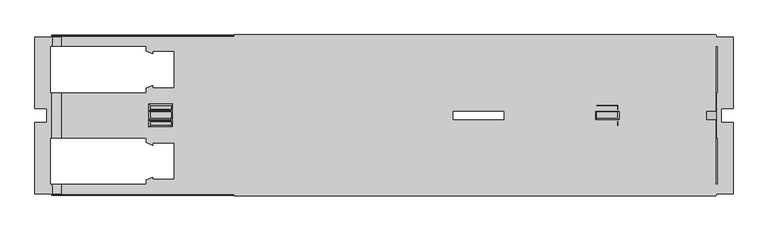
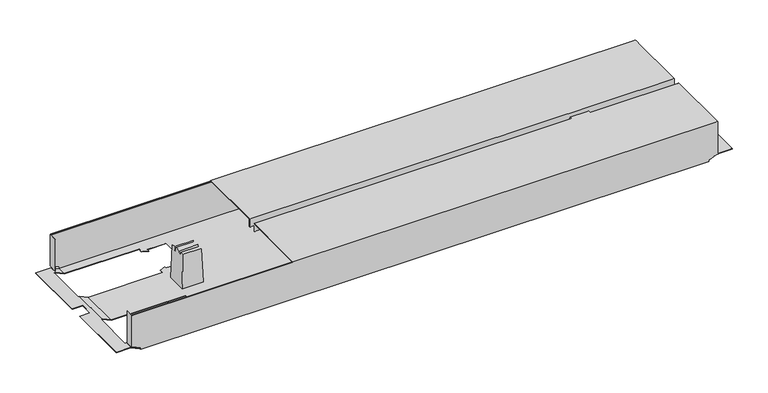
"""IFC4 building model written with IfcOpenShell, lengths in millimetres: furniture geometry."""

from ifc_helpers import new_model, si_unit, origin, place, context, project, spatial, triangles, source, transform, mapped, element, save


def furniture_ca6a5385(model_context):
    return source(origin(), model_context, "Body", "Tessellation", [
        triangles([(3602.0150716, 8921.9879526, 526.9999909), (3602.0150716, 8921.9879526, 507.9999879), (4630.0151144, 8921.9879526, 526.9999909), (4630.0151144, 8921.9879526, 507.9999879), (3602.0150716, 8760.8879022, 526.9999909), (4630.0151144, 8760.8879022, 526.9999909), (3602.0150716, 8760.8879022, 507.9999879), (4630.0151144, 8760.8879022, 507.9999879), (3602.0150716, 8759.8879632, 507.9999879), (4630.0151144, 8759.8879632, 507.9999879), (3602.0150716, 8759.8879632, 528.0000026), (4630.0151144, 8759.8879632, 528.0000026), (3602.0150716, 8922.9878915, 528.0000026), (4630.0151144, 8922.9878915, 528.0000026), (3602.0150716, 8922.9878915, 507.9999879), (4630.0151144, 8922.9878915, 507.9999879), (3602.0150716, 8740.088009, 526.9999909), (3602.0150716, 8740.088009, 507.9999879), (4630.0151144, 8740.088009, 526.9999909), (4630.0151144, 8740.088009, 507.9999879), (3602.0150716, 8578.9879587, 526.9999909), (4630.0151144, 8578.9879587, 526.9999909), (3602.0150716, 8578.9879587, 507.9999879), (4630.0151144, 8578.9879587, 507.9999879), (3602.0150716, 8577.9880197, 507.9999879), (4630.0151144, 8577.9880197, 507.9999879), (3602.0150716, 8577.9880197, 528.0000026), (4630.0151144, 8577.9880197, 528.0000026), (3602.0150716, 8741.087948, 528.0000026), (4630.0151144, 8741.087948, 528.0000026), (3602.0150716, 8741.087948, 507.9999879), (4630.0151144, 8741.087948, 507.9999879), (3234.5151197, 8578.9879587, 432.000012), (4609.5152029, 8578.9879587, 432.000012), (3234.5151197, 8578.9879587, 435.9999859), (4609.5152029, 8578.9879587, 435.9999859), (3214.5151777, 8578.9879587, 445.3260155), (4629.5151449, 8578.9879587, 445.3260155), (3214.5151777, 8578.9879587, 526.0000156), (4629.5151449, 8578.9879587, 526.0000156), (4631.5150228, 8578.9879587, 445.3260155), (4631.5150228, 8578.9879587, 526.0000156), (3212.5150091, 8578.9879587, 526.0000156), (3212.5150091, 8578.9879587, 445.3260155), (4179.1150205, 8789.6878885, 432.000012), (4369.4150327, 8691.6880563, 432.000012), (4179.1150205, 8711.2880227, 432.000012), (4369.4150327, 8613.2881906, 432.000012), (4118.9152067, 8700.4881006, 432.000012), (3474.6149992, 8613.2881906, 432.000012), (4068.915061, 8700.4881006, 432.000012), (3474.6149992, 8691.6880563, 432.000012), (3474.6149992, 8809.2884363, 432.000012), (3414.4151853, 8798.4879327, 432.000012), (3428.2152151, 8809.2884363, 432.000012), (3414.4151853, 8808.7721887, 432.000012), (3428.2152151, 8814.4881189, 432.000012), (4132.7152364, 8789.6878885, 432.000012), (4118.9152067, 8800.488392, 432.000012), (4369.4150327, 8887.688302, 432.000012), (4369.4150327, 8809.2884363, 432.000012), (4132.7152364, 8784.4882059, 432.000012), (4118.9152067, 8790.1058862, 432.000012), (3474.6149992, 8887.688302, 432.000012), (4068.915061, 8800.488392, 432.000012), (4132.7152364, 8711.2880227, 432.000012), (4118.9152067, 8710.870025, 432.000012), (4132.7152364, 8716.4882867, 432.000012), (3414.4151853, 8602.4882684, 432.000012), (4429.6151373, 8602.4882684, 432.000012), (4609.5152029, 8582.4883264, 432.000012), (4610.5151418, 8602.4882684, 432.000012), (4610.5151418, 8582.4883264, 432.000012), (3234.5151197, 8582.4883264, 432.000012), (3233.5151807, 8602.4882684, 432.000012), (3233.5151807, 8582.4883264, 432.000012), (3414.4151853, 8612.771943, 432.000012), (3428.2152151, 8613.2881906, 432.000012), (4415.8151075, 8613.2881906, 432.000012), (3428.2152151, 8618.4878732, 432.000012), (3414.4151853, 8702.4879785, 432.000012), (3428.2152151, 8691.6880563, 432.000012), (3414.4151853, 8692.2043039, 432.000012), (3428.2152151, 8686.4883737, 432.000012), (3233.5151807, 8702.4879785, 432.000012), (3233.5151807, 8798.4879327, 432.000012), (3428.2152151, 8887.688302, 432.000012), (3414.4151853, 8898.4882242, 432.000012), (4429.6151373, 8898.4882242, 432.000012), (4415.8151075, 8887.688302, 432.000012), (4429.6151373, 8888.2039682, 432.000012), (4415.8151075, 8882.488038, 432.000012), (3428.2152151, 8882.488038, 432.000012), (3414.4151853, 8888.2039682, 432.000012), (3233.5151807, 8898.4882242, 432.000012), (3234.5151197, 8918.4881662, 432.000012), (3234.5151197, 8921.9879526, 432.000012), (4609.5152029, 8921.9879526, 432.000012), (3233.5151807, 8918.4881662, 432.000012), (4609.5152029, 8918.4881662, 432.000012), (4610.5151418, 8898.4882242, 432.000012), (4610.5151418, 8918.4881662, 432.000012), (4415.8151075, 8809.2884363, 432.000012), (4429.6151373, 8798.4879327, 432.000012), (4429.6151373, 8702.4879785, 432.000012), (4415.8151075, 8691.6880563, 432.000012), (4429.6151373, 8692.2043039, 432.000012), (4415.8151075, 8686.4883737, 432.000012), (4415.8151075, 8814.4881189, 432.000012), (4429.6151373, 8808.7721887, 432.000012), (4610.5151418, 8798.4879327, 432.000012), (4610.5151418, 8702.4879785, 432.000012), (4415.8151075, 8618.4878732, 432.000012), (4429.6151373, 8612.771943, 432.000012), (4179.1150205, 8711.2880227, 432.9999873), (4369.4150327, 8809.2884363, 432.9999873), (4179.1150205, 8789.6878885, 432.9999873), (4369.4150327, 8887.688302, 432.9999873), (4118.9152067, 8800.488392, 432.9999873), (3474.6149992, 8887.688302, 432.9999873), (4068.915061, 8800.488392, 432.9999873), (3474.6149992, 8809.2884363, 432.9999873), (3474.6149992, 8691.6880563, 432.9999873), (3414.4151853, 8702.4879785, 432.9999873), (3428.2152151, 8691.6880563, 432.9999873), (3414.4151853, 8692.2043039, 432.9999873), (3428.2152151, 8686.4883737, 432.9999873), (4132.7152364, 8711.2880227, 432.9999873), (4118.9152067, 8700.4881006, 432.9999873), (4369.4150327, 8613.2881906, 432.9999873), (4369.4150327, 8691.6880563, 432.9999873), (4132.7152364, 8716.4882867, 432.9999873), (4118.9152067, 8710.870025, 432.9999873), (3474.6149992, 8613.2881906, 432.9999873), (4068.915061, 8700.4881006, 432.9999873), (4132.7152364, 8789.6878885, 432.9999873), (4118.9152067, 8790.1058862, 432.9999873), (4132.7152364, 8784.4882059, 432.9999873), (4610.2930624, 8898.4882242, 432.9999873), (4609.5152029, 8918.4881662, 432.9999873), (4429.6151373, 8898.4882242, 432.9999873), (4609.5152029, 8920.9880136, 432.9999873), (3414.4151853, 8898.4882242, 432.9999873), (3234.5151197, 8920.9880136, 432.9999873), (3234.5151197, 8918.4881662, 432.9999873), (4610.2930624, 8918.4881662, 432.9999873), (3233.7372602, 8918.4881662, 432.9999873), (3233.7372602, 8898.4882242, 432.9999873), (3414.4151853, 8888.2039682, 432.9999873), (3428.2152151, 8887.688302, 432.9999873), (4415.8151075, 8887.688302, 432.9999873), (3428.2152151, 8882.488038, 432.9999873), (3414.4151853, 8798.4879327, 432.9999873), (3428.2152151, 8809.2884363, 432.9999873), (3414.4151853, 8808.7721887, 432.9999873), (3428.2152151, 8814.4881189, 432.9999873), (3233.7372602, 8798.4879327, 432.9999873), (3233.7372602, 8702.4879785, 432.9999873), (3428.2152151, 8613.2881906, 432.9999873), (3414.4151853, 8602.4882684, 432.9999873), (4429.6151373, 8602.4882684, 432.9999873), (4415.8151075, 8613.2881906, 432.9999873), (4429.6151373, 8612.771943, 432.9999873), (4415.8151075, 8618.4878732, 432.9999873), (3428.2152151, 8618.4878732, 432.9999873), (3414.4151853, 8612.771943, 432.9999873), (3233.7372602, 8602.4882684, 432.9999873), (3234.5151197, 8582.4883264, 432.9999873), (3234.5151197, 8579.9878976, 432.9999873), (4609.5152029, 8579.9878976, 432.9999873), (3233.7372602, 8582.4883264, 432.9999873), (4609.5152029, 8582.4883264, 432.9999873), (4610.2930624, 8602.4882684, 432.9999873), (4610.2930624, 8582.4883264, 432.9999873), (4415.8151075, 8691.6880563, 432.9999873), (4429.6151373, 8702.4879785, 432.9999873), (4429.6151373, 8798.4879327, 432.9999873), (4415.8151075, 8809.2884363, 432.9999873), (4429.6151373, 8808.7721887, 432.9999873), (4415.8151075, 8814.4881189, 432.9999873), (4415.8151075, 8686.4883737, 432.9999873), (4429.6151373, 8692.2043039, 432.9999873), (4610.2930624, 8702.4879785, 432.9999873), (4610.2930624, 8798.4879327, 432.9999873), (4415.8151075, 8882.488038, 432.9999873), (4429.6151373, 8888.2039682, 432.9999873), (3234.5151197, 8579.9878976, 435.9999859), (4609.5152029, 8579.9878976, 435.9999859), (3214.5151777, 8579.9878976, 445.3260155), (4629.5151449, 8579.9878976, 445.3260155), (4629.5151449, 8579.9878976, 511.9999981), (4630.5150838, 8579.9878976, 445.3260155), (4630.5150838, 8579.9878976, 526.0000156), (4629.5151449, 8579.9878976, 526.0000156), (3214.5151777, 8579.9878976, 511.9999981), (3213.5152387, 8579.9878976, 445.3260155), (3213.5152387, 8579.9878976, 526.0000156), (3214.5151777, 8579.9878976, 526.0000156), (3214.5151777, 8919.9880746, 526.0000156), (4629.5151449, 8919.9880746, 526.0000156), (3214.5151777, 8920.28108, 526.7069856), (4629.5151449, 8920.28108, 526.7069856), (3214.5151777, 8920.9880136, 526.9999909), (4629.5151449, 8920.9880136, 526.9999909), (3214.5151777, 8921.6949472, 526.7069856), (4629.5151449, 8921.6949472, 526.7069856), (3214.5151777, 8921.9879526, 526.0000156), (4629.5151449, 8921.9879526, 526.0000156), (3214.5151777, 8919.9880746, 511.9999981), (4629.5151449, 8919.9880746, 511.9999981), (3214.5151777, 8920.9880136, 511.9999981), (4629.5151449, 8920.9880136, 511.9999981), (3214.5151777, 8580.988418, 511.9999981), (4629.5151449, 8580.988418, 511.9999981), (3214.5151777, 8580.988418, 526.0000156), (4629.5151449, 8580.988418, 526.0000156), (3214.5151777, 8579.280964, 526.7069856), (4629.5151449, 8579.280964, 526.7069856), (3214.5151777, 8579.9878976, 526.9999909), (4629.5151449, 8579.9878976, 526.9999909), (3214.5151777, 8580.6954126, 526.7069856), (4629.5151449, 8580.6954126, 526.7069856), (3214.5151777, 8921.9879526, 445.3260155), (3212.5150091, 8921.9879526, 445.3260155), (3212.5150091, 8921.9879526, 526.0000156), (4629.5151449, 8921.9879526, 445.3260155), (4631.5150228, 8921.9879526, 526.0000156), (4631.5150228, 8921.9879526, 445.3260155), (3234.5151197, 8921.9879526, 435.9999859), (4609.5152029, 8921.9879526, 435.9999859), (4629.5151449, 8920.9880136, 445.3260155), (3214.5151777, 8920.9880136, 445.3260155), (4609.5152029, 8920.9880136, 435.9999859), (3234.5151197, 8920.9880136, 435.9999859), (4630.5150838, 8920.9880136, 445.3260155), (4630.5150838, 8920.9880136, 526.0000156), (4629.5151449, 8920.9880136, 526.0000156), (3213.5152387, 8920.9880136, 445.3260155), (3213.5152387, 8920.9880136, 526.0000156), (3214.5151777, 8920.9880136, 526.0000156), (4631.9600538, 8702.4879785, 441.999983), (4631.9600538, 8798.4879327, 441.999983), (4634.6151243, 8702.4879785, 441.999983), (4634.6151243, 8798.4879327, 441.999983), (4642.5152235, 8765.4882028, 441.999983), (4634.6151243, 8898.4882242, 441.999983), (4667.515151, 8918.4881662, 441.999983), (4631.9600538, 8918.4881662, 441.999983), (4631.9600538, 8898.4882242, 441.999983), (4667.515151, 8765.4882028, 441.999983), (4642.5152235, 8735.4882898, 441.999983), (4634.6151243, 8602.4882684, 441.999983), (4667.515151, 8582.4883264, 441.999983), (4631.9600538, 8582.4883264, 441.999983), (4667.515151, 8735.4882898, 441.999983), (4631.9600538, 8602.4882684, 441.999983), (4634.6151243, 8702.4879785, 442.9999947), (4634.6151243, 8602.4882684, 442.9999947), (4631.738265, 8798.4879327, 442.9999947), (4631.738265, 8702.4879785, 442.9999947), (4634.6151243, 8898.4882242, 442.9999947), (4634.6151243, 8798.4879327, 442.9999947), (4642.5152235, 8765.4882028, 442.9999947), (4667.515151, 8918.4881662, 442.9999947), (4631.738265, 8918.4881662, 442.9999947), (4642.5152235, 8735.4882898, 442.9999947), (4667.515151, 8582.4883264, 442.9999947), (4631.738265, 8582.4883264, 442.9999947), (4631.738265, 8602.4882684, 442.9999947), (4667.515151, 8735.4882898, 442.9999947), (4667.515151, 8765.4882028, 442.9999947), (4631.738265, 8898.4882242, 442.9999947), (4630.5150838, 8901.9880105, 526.0000156), (4630.5150838, 8901.9880105, 445.3260155), (4631.5150228, 8901.9880105, 445.3260155), (4631.5150228, 8901.9880105, 526.0000156), (4630.5150838, 8598.9879007, 445.3260155), (4630.5150838, 8598.9879007, 526.0000156), (4631.5150228, 8598.9879007, 445.3260155), (4631.5150228, 8598.9879007, 526.0000156), (3212.5150091, 8598.9879007, 526.0000156), (3212.5150091, 8598.9879007, 445.3260155), (3213.5152387, 8598.9879007, 526.0000156), (3213.5152387, 8598.9879007, 445.3260155), (3212.5150091, 8901.9880105, 445.3260155), (3212.5150091, 8901.9880105, 526.0000156), (3213.5152387, 8901.9880105, 445.3260155), (3213.5152387, 8901.9880105, 526.0000156), (3212.2920576, 8798.4879327, 442.9999947), (3212.2920576, 8702.4879785, 442.9999947), (3212.0702688, 8702.4879785, 441.999983), (3212.0702688, 8798.4879327, 441.999983), (3209.4151983, 8602.4882684, 441.999983), (3201.5150991, 8735.4882898, 441.999983), (3209.4151983, 8702.4879785, 441.999983), (3201.5150991, 8765.4882028, 441.999983), (3209.4151983, 8798.4879327, 441.999983), (3209.4151983, 8898.4882242, 441.999983), (3176.5151716, 8918.4881662, 441.999983), (3212.0702688, 8918.4881662, 441.999983), (3212.0702688, 8602.4882684, 441.999983), (3212.0702688, 8582.4883264, 441.999983), (3176.5151716, 8582.4883264, 441.999983), (3176.5151716, 8735.4882898, 441.999983), (3176.5151716, 8765.4882028, 441.999983), (3212.0702688, 8898.4882242, 441.999983), (3176.5151716, 8735.4882898, 442.9999947), (3176.5151716, 8582.4883264, 442.9999947), (3201.5150991, 8735.4882898, 442.9999947), (3209.4151983, 8602.4882684, 442.9999947), (3209.4151983, 8702.4879785, 442.9999947), (3212.2920576, 8582.4883264, 442.9999947), (3212.2920576, 8602.4882684, 442.9999947), (3209.4151983, 8798.4879327, 442.9999947), (3201.5150991, 8765.4882028, 442.9999947), (3209.4151983, 8898.4882242, 442.9999947), (3176.5151716, 8918.4881662, 442.9999947), (3212.2920576, 8918.4881662, 442.9999947), (3212.2920576, 8898.4882242, 442.9999947), (3176.5151716, 8765.4882028, 442.9999947), (4421.5470251, 8743.587214, 519.5000127), (4421.8961317, 8741.5879175, 509.5000053), (4421.5470251, 8757.3892785, 519.5000127), (4421.8961317, 8759.3879938, 509.5000053), (4424.5151579, 8725.9882883, 433.4999931), (4424.5151579, 8774.9882043, 433.4999931), (4421.8961317, 8739.5880395, 509.5000053), (4421.5821973, 8728.9212488, 518.500001), (4421.5821973, 8737.7893121, 518.500001), (4421.8961317, 8761.3878717, 509.5000053), (4421.5821973, 8772.0552438, 518.500001), (4421.5821973, 8763.1871805, 518.500001), (4376.4832059, 8743.587214, 519.5000127), (4376.4832059, 8757.3892785, 519.5000127), (4376.1340993, 8741.5879175, 509.5000053), (4376.1340993, 8759.3879938, 509.5000053), (4373.5150732, 8725.9882883, 433.4999931), (4373.5150732, 8774.9882043, 433.4999931), (4376.1340993, 8761.3878717, 509.5000053), (4376.4480337, 8772.0552438, 518.500001), (4376.4480337, 8763.1871805, 518.500001), (4376.1340993, 8739.5880395, 509.5000053), (4376.4480337, 8728.9212488, 518.500001), (4376.4480337, 8737.7893121, 518.500001), (3467.5471166, 8743.587214, 519.5000127), (3467.8962232, 8741.5879175, 509.5000053), (3467.5471166, 8757.3892785, 519.5000127), (3467.8962232, 8759.3879938, 509.5000053), (3470.5152494, 8725.9882883, 433.4999931), (3470.5152494, 8774.9882043, 433.4999931), (3467.8962232, 8739.5880395, 509.5000053), (3467.5819982, 8728.9212488, 518.500001), (3467.5819982, 8737.7893121, 518.500001), (3467.8962232, 8761.3878717, 509.5000053), (3467.5819982, 8772.0552438, 518.500001), (3467.5819982, 8763.1871805, 518.500001), (3422.4830068, 8743.587214, 519.5000127), (3422.4830068, 8757.3892785, 519.5000127), (3422.1341909, 8741.5879175, 509.5000053), (3422.1341909, 8759.3879938, 509.5000053), (3419.5151647, 8725.9882883, 433.4999931), (3419.5151647, 8774.9882043, 433.4999931), (3422.1341909, 8761.3878717, 509.5000053), (3422.4481252, 8772.0552438, 518.500001), (3422.4481252, 8763.1871805, 518.500001), (3422.1341909, 8739.5880395, 509.5000053), (3422.4481252, 8728.9212488, 518.500001), (3422.4481252, 8737.7893121, 518.500001)], [[1, 2, 3], [3, 2, 4], [5, 1, 6], [6, 1, 3], [7, 5, 8], [8, 5, 6], [9, 7, 10], [10, 7, 8], [11, 9, 12], [12, 9, 10], [13, 11, 14], [14, 11, 12], [15, 13, 16], [16, 13, 14], [2, 15, 4], [4, 15, 16], [2, 1, 15], [15, 1, 13], [13, 1, 5], [13, 5, 11], [11, 5, 9], [9, 5, 7], [4, 16, 3], [14, 3, 16], [6, 3, 14], [12, 6, 14], [10, 6, 12], [10, 8, 6], [17, 18, 19], [19, 18, 20], [21, 17, 22], [22, 17, 19], [23, 21, 24], [24, 21, 22], [25, 23, 26], [26, 23, 24], [27, 25, 28], [28, 25, 26], [29, 27, 30], [30, 27, 28], [31, 29, 32], [32, 29, 30], [18, 31, 20], [20, 31, 32], [18, 17, 31], [31, 17, 29], [29, 17, 21], [29, 21, 27], [27, 21, 25], [25, 21, 23], [20, 32, 19], [30, 19, 32], [22, 19, 30], [28, 22, 30], [26, 22, 28], [26, 24, 22], [33, 34, 35], [35, 34, 36], [37, 35, 36], [37, 36, 38], [37, 38, 39], [39, 38, 40], [40, 38, 41], [40, 41, 42], [39, 43, 37], [37, 43, 44], [45, 46, 47], [47, 46, 48], [49, 47, 48], [50, 49, 48], [49, 50, 51], [51, 50, 52], [51, 52, 53], [53, 52, 54], [53, 54, 55], [55, 54, 56], [57, 55, 56], [45, 58, 59], [60, 45, 59], [45, 60, 61], [62, 63, 58], [58, 63, 59], [60, 59, 64], [64, 59, 65], [64, 65, 53], [53, 65, 51], [47, 49, 66], [66, 49, 67], [68, 66, 67], [33, 69, 34], [34, 69, 70], [34, 70, 71], [71, 70, 72], [71, 72, 73], [33, 74, 69], [69, 74, 75], [75, 74, 76], [69, 77, 78], [69, 78, 50], [69, 50, 70], [70, 50, 48], [70, 48, 79], [77, 80, 78], [54, 52, 81], [81, 52, 82], [81, 82, 83], [83, 82, 84], [85, 86, 81], [81, 86, 54], [64, 87, 88], [89, 64, 88], [64, 89, 60], [60, 89, 90], [90, 89, 91], [92, 90, 91], [93, 94, 87], [87, 94, 88], [95, 96, 88], [88, 96, 97], [98, 88, 97], [95, 99, 96], [88, 98, 89], [89, 98, 100], [89, 100, 101], [101, 100, 102], [61, 103, 104], [61, 104, 105], [61, 105, 46], [46, 105, 106], [106, 105, 107], [108, 106, 107], [109, 110, 103], [103, 110, 104], [111, 112, 104], [104, 112, 105], [113, 114, 79], [79, 114, 70], [45, 61, 46], [115, 116, 117], [117, 116, 118], [119, 117, 118], [120, 119, 118], [119, 120, 121], [121, 120, 122], [121, 122, 123], [123, 122, 124], [123, 124, 125], [125, 124, 126], [127, 125, 126], [115, 128, 129], [130, 115, 129], [115, 130, 131], [132, 133, 128], [128, 133, 129], [130, 129, 134], [134, 129, 135], [134, 135, 123], [123, 135, 121], [117, 119, 136], [136, 119, 137], [138, 136, 137], [139, 140, 141], [141, 140, 142], [143, 141, 142], [144, 143, 142], [143, 144, 145], [139, 146, 140], [147, 148, 145], [145, 148, 143], [143, 149, 150], [143, 150, 120], [143, 120, 141], [141, 120, 118], [141, 118, 151], [149, 152, 150], [124, 122, 153], [153, 122, 154], [153, 154, 155], [155, 154, 156], [157, 158, 153], [153, 158, 124], [134, 159, 160], [161, 134, 160], [134, 161, 130], [130, 161, 162], [162, 161, 163], [164, 162, 163], [165, 166, 159], [159, 166, 160], [167, 168, 160], [160, 168, 169], [170, 160, 169], [167, 171, 168], [160, 170, 161], [161, 170, 172], [161, 172, 173], [173, 172, 174], [131, 175, 176], [131, 176, 177], [131, 177, 116], [116, 177, 178], [178, 177, 179], [180, 178, 179], [181, 182, 175], [175, 182, 176], [183, 184, 176], [176, 184, 177], [185, 186, 151], [151, 186, 141], [115, 131, 116], [169, 187, 170], [170, 187, 188], [188, 187, 189], [190, 188, 189], [190, 189, 191], [190, 191, 192], [192, 191, 193], [193, 191, 194], [191, 189, 195], [195, 189, 196], [197, 195, 196], [197, 198, 195], [199, 200, 201], [201, 200, 202], [201, 202, 203], [203, 202, 204], [203, 204, 205], [205, 204, 206], [205, 206, 207], [207, 206, 208], [209, 210, 199], [199, 210, 200], [211, 212, 209], [209, 212, 210], [213, 214, 195], [195, 214, 191], [215, 216, 213], [213, 216, 214], [39, 40, 217], [217, 40, 218], [217, 218, 219], [219, 218, 220], [219, 220, 221], [221, 220, 222], [221, 222, 215], [215, 222, 216], [208, 223, 207], [207, 223, 224], [207, 224, 225], [223, 208, 226], [226, 208, 227], [226, 227, 228], [223, 226, 229], [229, 226, 230], [229, 230, 97], [97, 230, 98], [231, 232, 233], [233, 232, 234], [233, 234, 144], [232, 231, 212], [212, 231, 235], [236, 212, 235], [236, 237, 212], [212, 211, 232], [232, 211, 238], [238, 211, 239], [239, 211, 240], [144, 142, 233], [45, 47, 117], [117, 47, 115], [47, 66, 115], [115, 66, 128], [133, 132, 67], [67, 132, 68], [67, 49, 133], [133, 49, 129], [49, 51, 129], [129, 51, 135], [58, 45, 136], [136, 45, 117], [137, 119, 63], [63, 119, 59], [63, 62, 137], [137, 62, 138], [65, 59, 121], [121, 59, 119], [62, 58, 138], [138, 58, 136], [51, 65, 135], [135, 65, 121], [132, 128, 68], [68, 128, 66], [46, 106, 131], [131, 106, 175], [106, 108, 175], [175, 108, 181], [48, 46, 130], [130, 46, 131], [108, 107, 181], [181, 107, 182], [107, 105, 182], [182, 105, 176], [70, 114, 161], [161, 114, 163], [114, 113, 163], [163, 113, 164], [113, 79, 164], [164, 79, 162], [79, 48, 162], [162, 48, 130], [109, 103, 180], [180, 103, 178], [103, 61, 178], [178, 61, 116], [104, 110, 177], [177, 110, 179], [110, 109, 179], [179, 109, 180], [61, 60, 116], [116, 60, 118], [60, 90, 118], [118, 90, 151], [91, 89, 186], [186, 89, 141], [186, 185, 91], [91, 185, 92], [185, 151, 92], [92, 151, 90], [241, 242, 243], [243, 242, 244], [243, 244, 245], [245, 244, 246], [245, 246, 247], [247, 246, 248], [248, 246, 249], [247, 250, 245], [245, 251, 243], [252, 243, 251], [253, 252, 251], [252, 253, 254], [251, 255, 253], [254, 256, 252], [243, 252, 257], [257, 252, 258], [111, 242, 112], [112, 242, 241], [259, 184, 260], [260, 184, 183], [246, 244, 261], [261, 244, 262], [260, 257, 259], [259, 257, 262], [262, 257, 263], [261, 262, 263], [264, 261, 263], [261, 264, 265], [263, 257, 266], [266, 257, 258], [266, 258, 267], [267, 258, 268], [268, 258, 269], [267, 270, 266], [263, 271, 264], [265, 272, 261], [273, 236, 274], [274, 236, 235], [275, 228, 276], [276, 228, 227], [102, 248, 101], [101, 248, 249], [265, 146, 272], [272, 146, 139], [264, 271, 247], [247, 271, 250], [271, 263, 250], [250, 263, 245], [270, 267, 255], [255, 267, 253], [255, 251, 270], [270, 251, 266], [263, 266, 245], [245, 266, 251], [72, 256, 73], [73, 256, 254], [174, 268, 173], [173, 268, 269], [277, 192, 278], [278, 192, 193], [277, 278, 279], [279, 278, 280], [41, 279, 42], [42, 279, 280], [277, 279, 192], [41, 192, 279], [38, 192, 41], [38, 190, 192], [275, 276, 274], [274, 276, 273], [81, 83, 124], [124, 83, 126], [83, 84, 126], [126, 84, 127], [82, 52, 125], [125, 52, 123], [52, 50, 123], [123, 50, 134], [50, 78, 134], [134, 78, 159], [166, 165, 77], [77, 165, 80], [77, 69, 166], [166, 69, 160], [78, 80, 159], [159, 80, 165], [84, 82, 127], [127, 82, 125], [53, 55, 122], [122, 55, 154], [55, 57, 154], [154, 57, 156], [57, 56, 156], [156, 56, 155], [152, 149, 93], [93, 149, 94], [93, 87, 152], [152, 87, 150], [87, 64, 150], [150, 64, 120], [88, 94, 143], [143, 94, 149], [56, 54, 155], [155, 54, 153], [64, 53, 120], [120, 53, 122], [43, 281, 44], [44, 281, 282], [283, 197, 284], [284, 197, 196], [224, 285, 225], [225, 285, 286], [287, 285, 238], [224, 238, 285], [223, 238, 224], [223, 232, 238], [239, 288, 238], [238, 288, 287], [157, 289, 158], [158, 289, 290], [85, 291, 86], [86, 291, 292], [293, 294, 295], [295, 294, 296], [295, 296, 297], [298, 297, 296], [299, 298, 296], [298, 299, 300], [301, 302, 293], [293, 302, 303], [294, 293, 303], [294, 303, 304], [296, 305, 299], [300, 306, 298], [297, 292, 295], [295, 292, 291], [307, 308, 309], [309, 308, 310], [309, 310, 311], [308, 312, 310], [310, 312, 313], [290, 289, 311], [311, 289, 314], [311, 314, 315], [315, 314, 316], [315, 316, 317], [317, 316, 318], [318, 316, 319], [317, 320, 315], [315, 309, 311], [297, 298, 314], [314, 298, 316], [293, 295, 310], [310, 295, 311], [283, 284, 281], [281, 284, 282], [312, 171, 313], [313, 171, 167], [143, 148, 88], [88, 148, 95], [95, 148, 306], [319, 306, 148], [306, 319, 316], [316, 298, 306], [145, 96, 147], [147, 96, 99], [300, 147, 99], [299, 317, 300], [318, 300, 317], [147, 300, 318], [140, 100, 142], [98, 142, 100], [230, 142, 98], [230, 233, 142], [248, 102, 146], [146, 102, 100], [146, 100, 140], [146, 265, 248], [264, 248, 265], [248, 264, 247], [177, 184, 104], [104, 184, 111], [111, 184, 242], [259, 242, 184], [242, 259, 262], [262, 244, 242], [257, 260, 241], [183, 241, 260], [241, 183, 112], [112, 183, 105], [105, 183, 176], [241, 243, 257], [161, 173, 70], [70, 173, 72], [72, 173, 256], [269, 256, 173], [256, 269, 258], [258, 252, 256], [267, 268, 254], [174, 254, 268], [254, 174, 73], [73, 174, 71], [71, 174, 172], [254, 253, 267], [168, 74, 169], [33, 169, 74], [35, 169, 33], [35, 187, 169], [95, 306, 99], [99, 306, 300], [76, 302, 75], [75, 302, 301], [147, 318, 148], [148, 318, 319], [297, 314, 292], [292, 314, 289], [157, 292, 289], [153, 54, 157], [86, 157, 54], [292, 157, 86], [293, 310, 301], [301, 310, 313], [167, 301, 313], [160, 69, 167], [75, 167, 69], [301, 167, 75], [312, 302, 171], [76, 171, 302], [171, 76, 74], [312, 308, 302], [302, 308, 303], [74, 168, 171], [304, 303, 307], [307, 303, 308], [307, 309, 304], [304, 309, 294], [309, 315, 294], [294, 315, 296], [315, 320, 296], [296, 320, 305], [320, 317, 305], [305, 317, 299], [124, 158, 81], [81, 158, 85], [85, 158, 291], [290, 291, 158], [291, 290, 311], [311, 295, 291], [35, 37, 187], [187, 37, 189], [189, 37, 196], [44, 196, 37], [282, 196, 44], [282, 284, 196], [283, 281, 197], [43, 197, 281], [39, 197, 43], [39, 198, 197], [39, 217, 198], [198, 217, 219], [198, 219, 221], [221, 215, 198], [195, 198, 213], [213, 198, 215], [214, 216, 191], [191, 216, 194], [216, 222, 194], [194, 222, 220], [194, 220, 218], [218, 40, 194], [194, 40, 193], [42, 193, 40], [280, 193, 42], [280, 278, 193], [38, 36, 190], [190, 36, 188], [188, 36, 170], [34, 170, 36], [71, 170, 34], [71, 172, 170], [246, 261, 249], [249, 261, 272], [139, 249, 272], [141, 89, 139], [101, 139, 89], [249, 139, 101], [230, 226, 233], [233, 226, 231], [231, 226, 235], [228, 235, 226], [275, 235, 228], [275, 274, 235], [273, 276, 236], [227, 236, 276], [208, 236, 227], [208, 237, 236], [208, 206, 237], [237, 206, 204], [237, 204, 202], [202, 200, 237], [212, 237, 210], [210, 237, 200], [209, 199, 211], [211, 199, 240], [199, 201, 240], [240, 201, 203], [240, 203, 205], [205, 207, 240], [240, 207, 239], [225, 239, 207], [286, 239, 225], [286, 288, 239], [286, 285, 288], [288, 285, 287], [223, 229, 232], [232, 229, 234], [234, 229, 144], [97, 144, 229], [96, 144, 97], [96, 145, 144], [323, 321, 322], [323, 322, 324], [324, 322, 325], [324, 325, 326], [322, 327, 325], [325, 327, 328], [328, 327, 329], [324, 326, 330], [331, 330, 326], [330, 331, 332], [335, 333, 334], [335, 334, 336], [337, 335, 336], [337, 336, 338], [338, 336, 339], [338, 339, 340], [340, 339, 341], [335, 337, 342], [343, 342, 337], [342, 343, 344], [321, 323, 333], [333, 323, 334], [322, 321, 333], [322, 333, 335], [334, 323, 324], [334, 324, 336], [324, 330, 336], [336, 330, 339], [330, 332, 341], [330, 341, 339], [332, 331, 341], [341, 331, 340], [340, 331, 326], [340, 326, 338], [327, 322, 342], [342, 322, 335], [344, 329, 327], [344, 327, 342], [328, 329, 343], [343, 329, 344], [325, 328, 343], [325, 343, 337], [326, 325, 338], [338, 325, 337], [347, 345, 346], [347, 346, 348], [348, 346, 349], [348, 349, 350], [346, 351, 349], [349, 351, 352], [352, 351, 353], [348, 350, 354], [355, 354, 350], [354, 355, 356], [359, 357, 358], [359, 358, 360], [361, 359, 360], [361, 360, 362], [362, 360, 363], [362, 363, 364], [364, 363, 365], [359, 361, 366], [367, 366, 361], [366, 367, 368], [345, 347, 357], [357, 347, 358], [346, 345, 357], [346, 357, 359], [358, 347, 348], [358, 348, 360], [348, 354, 360], [360, 354, 363], [354, 356, 365], [354, 365, 363], [356, 355, 365], [365, 355, 364], [364, 355, 350], [364, 350, 362], [351, 346, 366], [366, 346, 359], [368, 353, 351], [368, 351, 366], [352, 353, 367], [367, 353, 368], [349, 352, 367], [349, 367, 361], [350, 349, 362], [362, 349, 361]]),
    ])


if __name__ == "__main__":
    model = new_model("IFC4")
    model_context = context("Model", 3, world=origin())
    ifc_project = project(units=[si_unit("LENGTHUNIT", "METRE", prefix="MILLI")], contexts=[model_context])
    site = spatial("IfcSite", under=ifc_project)
    building = spatial("IfcBuilding", under=site)
    placement = place(None, origin())
    furniture_shape = furniture_ca6a5385(model_context)
    element("IfcFurniture", 1, at=placement, inside=building, context=model_context, shape_type="MappedRepresentation", body=[
        mapped(furniture_shape, transform((0.0, 0.0, 0.0), x_axis=(1.0, 0.0, 0.0), y_axis=(0.0, 1.0, 0.0), z_axis=(0.0, 0.0, 1.0))),
    ])
    save(model, "model.ifc")
